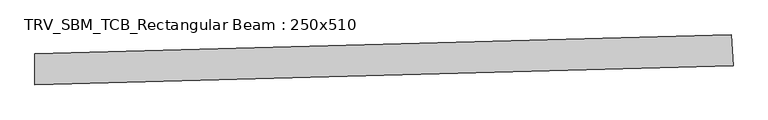
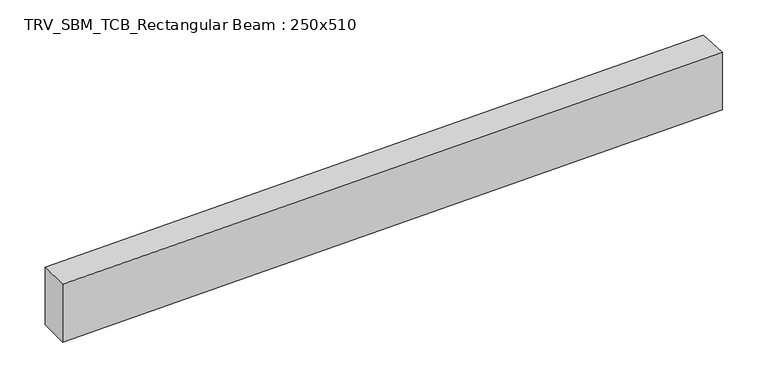
"""IFC4 building model written with IfcOpenShell, lengths in millimetres: beam geometry, TRV_SBM_TCB_Rectangular Beam : 250x510."""

from ifc_helpers import new_model, si_unit, point, frame, frame_2d, origin, place, context, project, spatial, polyline, circle_curve, trimmed, segment, composite_curve, outline, extrude, source, transform, mapped, element, save


def trv_sbm_tcb_rectangular_beam_250x510_f9d89315(model_context):
    return source(origin(), model_context, "Body", "SweptSolid", [
        extrude(outline(composite_curve([segment(polyline([(5583.0312261, 274.7436599), (5596.4321914, 25.10309)]), True, "CONTINUOUS"), segment(trimmed(circle_curve(frame_2d((0.0, 104278.5276082)), 104403.5276082), [point((5596.4321914, 25.10309))], [point((-12.7168428, -124.9992255))], False, "CARTESIAN"), True, "CONTINUOUS"), segment(polyline([(-12.7168428, -124.9992255), (-12.6863917, 125.0007726)]), True, "CONTINUOUS"), segment(trimmed(circle_curve(frame_2d((0.0, 104278.5276082)), 104153.5276082), [point((-12.6863917, 125.0007726))], [point((5583.0312261, 274.7436599))], True, "CARTESIAN"), True, "CONTINUOUS")], self_intersect=False)), frame((0.0, 0.0, -255.0), z_axis=(0.0, 0.0, 1.0), x_axis=(1.0, 0.0, 0.0)), (0.0, 0.0, 1.0), 510.0),
    ])


if __name__ == "__main__":
    model = new_model("IFC4")
    model_context = context("Model", 3, world=origin())
    ifc_project = project(units=[si_unit("LENGTHUNIT", "METRE", prefix="MILLI")], contexts=[model_context])
    site = spatial("IfcSite", under=ifc_project)
    building = spatial("IfcBuilding", under=site)
    placement = place(None, origin())
    trv_sbm_tcb_rectangular_beam_250x510_shape = trv_sbm_tcb_rectangular_beam_250x510_f9d89315(model_context)
    element("IfcBeam", 1, ObjectType="TRV_SBM_TCB_Rectangular Beam : 250x510", at=placement, inside=building, context=model_context, shape_type="MappedRepresentation", body=[
        mapped(trv_sbm_tcb_rectangular_beam_250x510_shape, transform((0.0, 0.0, 0.0), x_axis=(1.0, 0.0, 0.0), y_axis=(0.0, 1.0, 0.0), z_axis=(0.0, 0.0, 1.0))),
    ])
    save(model, "model.ifc")
